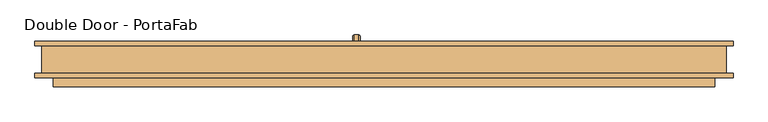
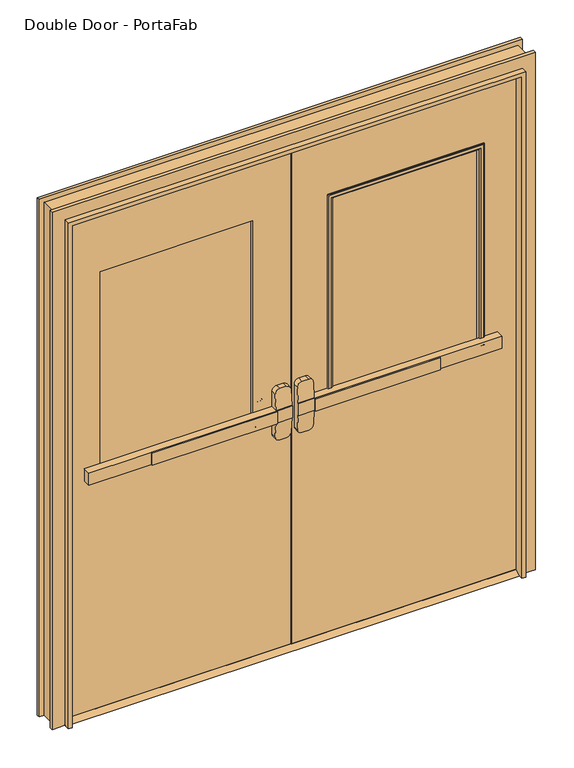
"""IFC4 building model written with IfcOpenShell, lengths in millimetres: door geometry, Double Door - PortaFab."""

from ifc_helpers import new_model, si_unit, point, frame, frame_2d, origin, place, context, project, spatial, polyline, circle_curve, ellipse_curve, trimmed, segment, composite_curve, outline, extrude, faceted_brep, source, transform, mapped, element, save
from ifc_brep_helpers import plane_surface, cylinder_surface, revolved_surface, advanced_brep


def double_door_portafab_65b8fbe4(model_context):
    return source(origin(), model_context, "Body", "SolidModel", [
        extrude(outline(polyline([(-575.7333333, -63.5), (-575.7333333, -57.15), (-76.2, -57.15), (-76.2, -63.5), (-575.7333333, -63.5)])), frame((0.0, 0.0, 990.6), z_axis=(0.0, 0.0, 1.0), x_axis=(1.0, 0.0, 0.0)), (0.0, 0.0, 1.0), 50.8),
        advanced_brep(
        [(-12.7, -57.15, 1041.4), (-76.2, -57.15, 1041.4), (-825.5, -57.15, 1041.4), (-825.5, -57.15, 990.6), (-76.2, -57.15, 990.6), (-12.7, -57.15, 990.6), (-825.5, -25.4, 1041.4), (-76.2, -25.4, 1041.4), (-76.2, -25.4, 1104.9), (-57.15, -25.4, 1123.95), (-31.75, -25.4, 1123.95), (-12.7, -25.4, 1104.9), (-12.7, -25.4, 927.1), (-31.75, -25.4, 908.05), (-57.15, -25.4, 908.05), (-76.2, -25.4, 927.1), (-76.2, -25.4, 990.6), (-825.5, -25.4, 990.6), (-12.7, -53.9747533, 1041.4), (-76.2, -53.9747533, 1041.4), (-12.7, -53.9747533, 990.6), (-12.7, -48.9645731, 927.1), (-12.7, -48.9645731, 1104.9), (-76.2, -53.9747533, 990.6), (-76.2, -48.9645731, 1104.9), (-76.2, -48.9645731, 927.1), (-57.15, -47.461519, 1123.95), (-31.75, -47.461519, 1123.95), (-31.75, -47.461519, 908.05), (-57.15, -47.461519, 908.05)],
        [
            (0, 1),
            (1, 2),
            (2, 3),
            (3, 4),
            (4, 5),
            (5, 0),
            (6, 7),
            (7, 8),
            (8, 9, circle_curve(frame((-57.15, -25.4, 1104.9), z_axis=(0.0, 1.0, 0.0), x_axis=(-1.0, 0.0, 0.0)), 19.05)),
            (9, 10),
            (10, 11, circle_curve(frame((-31.75, -25.4, 1104.9), z_axis=(0.0, 1.0, 0.0), x_axis=(-1.0, 0.0, 0.0)), 19.05)),
            (11, 12),
            (12, 13, circle_curve(frame((-31.75, -25.4, 927.1), z_axis=(0.0, 1.0, 0.0), x_axis=(-1.0, 0.0, 0.0)), 19.05)),
            (13, 14),
            (14, 15, circle_curve(frame((-57.15, -25.4, 927.1), z_axis=(0.0, 1.0, 0.0), x_axis=(-1.0, 0.0, 0.0)), 19.05)),
            (15, 16),
            (16, 17),
            (17, 6),
            (0, 18),
            (18, 19),
            (19, 7),
            (6, 2),
            (5, 20),
            (20, 21),
            (21, 12),
            (11, 22),
            (22, 18),
            (16, 23),
            (23, 20),
            (3, 17),
            (19, 24),
            (24, 8),
            (15, 25),
            (25, 23),
            (9, 26),
            (26, 27),
            (27, 10),
            (13, 28),
            (28, 29),
            (29, 14),
            (29, 25, ellipse_curve(frame((-57.15, -48.9645731, 927.1), z_axis=(0.0, 0.9969018152893365, 0.07865602756830282), x_axis=(0.0, -0.07865602756830208, 0.9969018152893365)), 19.1092038, 19.05)),
            (24, 26, ellipse_curve(frame((-57.15, -48.9645731, 1104.9), z_axis=(0.0, 0.9969018152893376, -0.07865602756828934), x_axis=(0.0, -0.078656027568288, -0.9969018152893377)), 19.1092038, 19.05)),
            (27, 22, ellipse_curve(frame((-31.75, -48.9645731, 1104.9), z_axis=(0.0, 0.9969018152893376, -0.07865602756828934), x_axis=(0.0, -0.078656027568288, -0.9969018152893377)), 19.1092038, 19.05)),
            (21, 28, ellipse_curve(frame((-31.75, -48.9645731, 927.1), z_axis=(0.0, 0.9969018152893365, 0.07865602756830282), x_axis=(0.0, -0.07865602756830208, 0.9969018152893365)), 19.1092038, 19.05)),
        ],
        [
            plane_surface(frame((-12.7, -57.15, 1041.4), z_axis=(0.0, -1.0, 0.0), x_axis=(1.0, 0.0, 0.0))),
            plane_surface(frame((-12.7, -25.4, 1041.4), z_axis=(0.0, 1.0, 0.0), x_axis=(-1.0, 0.0, 0.0))),
            plane_surface(frame((-825.5, -57.15, 1041.4), z_axis=(0.0, 0.0, 1.0), x_axis=(0.0, 1.0, 0.0))),
            plane_surface(frame((-12.7, -57.15, 1041.4), z_axis=(1.0, 0.0, 0.0), x_axis=(0.0, 1.0, 0.0))),
            plane_surface(frame((-12.7, -57.15, 990.6), z_axis=(0.0, 0.0, -1.0), x_axis=(0.0, 1.0, 0.0))),
            plane_surface(frame((-825.5, -57.15, 990.6), z_axis=(-1.0, 0.0, 0.0), x_axis=(0.0, 1.0, 0.0))),
            plane_surface(frame((-76.2, -53.9747533, 927.1), z_axis=(-1.0, 0.0, 0.0), x_axis=(0.0, 1.0, 0.0))),
            plane_surface(frame((-57.15, -53.9747533, 1123.95), z_axis=(0.0, 0.0, 1.0), x_axis=(0.0, 1.0, 0.0))),
            plane_surface(frame((-31.75, -53.9747533, 908.05), z_axis=(0.0, 0.0, -1.0), x_axis=(0.0, 1.0, 0.0))),
            cylinder_surface(frame((-57.15, -25.4, 927.1), z_axis=(0.0, -1.0, 0.0), x_axis=(-1.0, 0.0, 0.0)), 19.05),
            cylinder_surface(frame((-57.15, -25.4, 1104.9), z_axis=(0.0, -1.0, 0.0), x_axis=(-1.0, 0.0, 0.0)), 19.05),
            cylinder_surface(frame((-31.75, -25.4, 1104.9), z_axis=(0.0, -1.0, 0.0), x_axis=(-1.0, 0.0, 0.0)), 19.05),
            cylinder_surface(frame((-31.75, -25.4, 927.1), z_axis=(0.0, -1.0, 0.0), x_axis=(-1.0, 0.0, 0.0)), 19.05),
            plane_surface(frame((-76.2, -53.9747533, 1041.4), z_axis=(0.0, -0.9969018152893376, 0.07865602756828934), x_axis=(1.0, 0.0, 0.0))),
            plane_surface(frame((-76.2, -47.461519, 908.05), z_axis=(0.0, -0.9969018152893365, -0.07865602756830282), x_axis=(1.0, 0.0, 0.0))),
        ],
        [
            (0, [[1, 2, 3, 4, 5, 6]]),
            (1, [[7, 8, 9, 10, 11, 12, 13, 14, 15, 16, 17, 18]]),
            (2, [[-2, -1, 19, 20, 21, -7, 22]]),
            (3, [[23, 24, 25, -12, 26, 27, -19, -6]]),
            (4, [[-17, 28, 29, -23, -5, -4, 30]]),
            (5, [[-22, -18, -30, -3]]),
            (6, [[-21, 31, 32, -8]]),
            (6, [[33, 34, -28, -16]]),
            (7, [[35, 36, 37, -10]]),
            (8, [[38, 39, 40, -14]]),
            (9, [[-40, 41, -33, -15]]),
            (10, [[-32, 42, -35, -9]]),
            (11, [[-37, 43, -26, -11]]),
            (12, [[-25, 44, -38, -13]]),
            (13, [[-27, -43, -36, -42, -31, -20]]),
            (14, [[-29, -34, -41, -39, -44, -24]]),
        ],
    ),
        extrude(outline(polyline([(19.05, 12.7), (44.45, 0.0), (-50.8, 0.0), (-25.4, 12.7), (19.05, 12.7)])), frame((-914.4, 0.0, 0.0), z_axis=(1.0, 0.0, 0.0), x_axis=(0.0, 1.0, 0.0)), (0.0, 0.0, 1.0), 1828.8),
        extrude(outline(polyline([(575.7333333, -63.5), (76.2, -63.5), (76.2, -57.15), (575.7333333, -57.15), (575.7333333, -63.5)])), frame((0.0, 0.0, 990.6), z_axis=(0.0, 0.0, 1.0), x_axis=(1.0, 0.0, 0.0)), (0.0, 0.0, 1.0), 50.8),
        advanced_brep(
        [(12.7, -57.15, 1041.4), (12.7, -57.15, 990.6), (76.2, -57.15, 990.6), (825.5, -57.15, 990.6), (825.5, -57.15, 1041.4), (76.2, -57.15, 1041.4), (825.5, -25.4, 1041.4), (825.5, -25.4, 990.6), (76.2, -25.4, 990.6), (76.2, -25.4, 927.1), (57.15, -25.4, 908.05), (31.75, -25.4, 908.05), (12.7, -25.4, 927.1), (12.7, -25.4, 1104.9), (31.75, -25.4, 1123.95), (57.15, -25.4, 1123.95), (76.2, -25.4, 1104.9), (76.2, -25.4, 1041.4), (76.2, -53.9747533, 1041.4), (12.7, -53.9747533, 1041.4), (12.7, -48.9645731, 1104.9), (12.7, -48.9645731, 927.1), (12.7, -53.9747533, 990.6), (76.2, -53.9747533, 990.6), (76.2, -48.9645731, 927.1), (76.2, -48.9645731, 1104.9), (31.75, -47.461519, 1123.95), (57.15, -47.461519, 1123.95), (57.15, -47.461519, 908.05), (31.75, -47.461519, 908.05)],
        [
            (0, 1),
            (1, 2),
            (2, 3),
            (3, 4),
            (4, 5),
            (5, 0),
            (6, 7),
            (7, 8),
            (8, 9),
            (9, 10, circle_curve(frame((57.15, -25.4, 927.1), z_axis=(0.0, 1.0, 0.0), x_axis=(1.0, 0.0, 0.0)), 19.05)),
            (10, 11),
            (11, 12, circle_curve(frame((31.75, -25.4, 927.1), z_axis=(0.0, 1.0, 0.0), x_axis=(1.0, 0.0, 0.0)), 19.05)),
            (12, 13),
            (13, 14, circle_curve(frame((31.75, -25.4, 1104.9), z_axis=(0.0, 1.0, 0.0), x_axis=(1.0, 0.0, 0.0)), 19.05)),
            (14, 15),
            (15, 16, circle_curve(frame((57.15, -25.4, 1104.9), z_axis=(0.0, 1.0, 0.0), x_axis=(1.0, 0.0, 0.0)), 19.05)),
            (16, 17),
            (17, 6),
            (4, 6),
            (17, 18),
            (18, 19),
            (19, 0),
            (19, 20),
            (20, 13),
            (12, 21),
            (21, 22),
            (22, 1),
            (7, 3),
            (22, 23),
            (23, 8),
            (23, 24),
            (24, 9),
            (16, 25),
            (25, 18),
            (14, 26),
            (26, 27),
            (27, 15),
            (10, 28),
            (28, 29),
            (29, 11),
            (24, 28, ellipse_curve(frame((57.15, -48.9645731, 927.1), z_axis=(0.0, 0.9969018152893365, 0.07865602756830282), x_axis=(0.0, -0.07865602756830208, 0.9969018152893365)), 19.1092038, 19.05)),
            (27, 25, ellipse_curve(frame((57.15, -48.9645731, 1104.9), z_axis=(0.0, 0.9969018152893376, -0.07865602756828934), x_axis=(0.0, -0.078656027568288, -0.9969018152893377)), 19.1092038, 19.05)),
            (20, 26, ellipse_curve(frame((31.75, -48.9645731, 1104.9), z_axis=(0.0, 0.9969018152893376, -0.07865602756828934), x_axis=(0.0, -0.078656027568288, -0.9969018152893377)), 19.1092038, 19.05)),
            (29, 21, ellipse_curve(frame((31.75, -48.9645731, 927.1), z_axis=(0.0, 0.9969018152893365, 0.07865602756830282), x_axis=(0.0, -0.07865602756830208, 0.9969018152893365)), 19.1092038, 19.05)),
        ],
        [
            plane_surface(frame((12.7, -57.15, 1041.4), z_axis=(0.0, -1.0, 0.0), x_axis=(-1.0, 0.0, 0.0))),
            plane_surface(frame((12.7, -25.4, 1041.4), z_axis=(0.0, 1.0, 0.0), x_axis=(1.0, 0.0, 0.0))),
            plane_surface(frame((825.5, -57.15, 1041.4), z_axis=(0.0, 0.0, 1.0), x_axis=(0.0, 1.0, 0.0))),
            plane_surface(frame((12.7, -57.15, 1041.4), z_axis=(-1.0, 0.0, 0.0), x_axis=(0.0, 1.0, 0.0))),
            plane_surface(frame((12.7, -57.15, 990.6), z_axis=(0.0, 0.0, -1.0), x_axis=(0.0, 1.0, 0.0))),
            plane_surface(frame((825.5, -57.15, 990.6), z_axis=(1.0, 0.0, 0.0), x_axis=(0.0, 1.0, 0.0))),
            plane_surface(frame((76.2, -53.9747533, 927.1), z_axis=(1.0, 0.0, 0.0), x_axis=(0.0, 1.0, 0.0))),
            plane_surface(frame((57.15, -53.9747533, 1123.95), z_axis=(0.0, 0.0, 1.0), x_axis=(0.0, 1.0, 0.0))),
            plane_surface(frame((31.75, -53.9747533, 908.05), z_axis=(0.0, 0.0, -1.0), x_axis=(0.0, 1.0, 0.0))),
            cylinder_surface(frame((57.15, -25.4, 927.1), z_axis=(0.0, -1.0, 0.0), x_axis=(1.0, 0.0, 0.0)), 19.05),
            cylinder_surface(frame((57.15, -25.4, 1104.9), z_axis=(0.0, -1.0, 0.0), x_axis=(1.0, 0.0, 0.0)), 19.05),
            cylinder_surface(frame((31.75, -25.4, 1104.9), z_axis=(0.0, -1.0, 0.0), x_axis=(1.0, 0.0, 0.0)), 19.05),
            cylinder_surface(frame((31.75, -25.4, 927.1), z_axis=(0.0, -1.0, 0.0), x_axis=(1.0, 0.0, 0.0)), 19.05),
            plane_surface(frame((76.2, -53.9747533, 1041.4), z_axis=(0.0, -0.9969018152893376, 0.07865602756828934), x_axis=(-1.0, 0.0, 0.0))),
            plane_surface(frame((76.2, -47.461519, 908.05), z_axis=(0.0, -0.9969018152893365, -0.07865602756830282), x_axis=(-1.0, 0.0, 0.0))),
        ],
        [
            (0, [[1, 2, 3, 4, 5, 6]]),
            (1, [[7, 8, 9, 10, 11, 12, 13, 14, 15, 16, 17, 18]]),
            (2, [[19, -18, 20, 21, 22, -6, -5]]),
            (3, [[-1, -22, 23, 24, -13, 25, 26, 27]]),
            (4, [[28, -3, -2, -27, 29, 30, -8]]),
            (5, [[-4, -28, -7, -19]]),
            (6, [[-9, -30, 31, 32]]),
            (6, [[-17, 33, 34, -20]]),
            (7, [[-15, 35, 36, 37]]),
            (8, [[-11, 38, 39, 40]]),
            (9, [[-10, -32, 41, -38]]),
            (10, [[-16, -37, 42, -33]]),
            (11, [[-14, -24, 43, -35]]),
            (12, [[-12, -40, 44, -25]]),
            (13, [[-21, -34, -42, -36, -43, -23]]),
            (14, [[-26, -44, -39, -41, -31, -29]]),
        ],
    ),
        advanced_brep(
        [(-86.2, 31.75, 1017.190625), (-86.2, 31.75, 1014.809375), (-82.628125, 31.75, 1011.2375), (-69.7715406, 31.75, 1011.2375), (-66.2, 31.75, 1014.8090406), (-66.2, 31.75, 1017.190625), (-69.771875, 31.75, 1020.7625), (-82.628125, 31.75, 1020.7625), (-86.2, 31.75, 887.809375), (-82.628125, 31.75, 884.2375), (-69.771875, 31.75, 884.2375), (-66.2, 31.75, 887.809375), (-66.2, 31.75, 890.1909594), (-69.7715406, 31.75, 893.7625), (-82.628125, 31.75, 893.7625), (-86.2, 31.75, 890.190625), (-86.2, 57.15, 1017.190625), (-86.2, 71.040625, 1003.3), (-86.2, 71.040625, 901.7), (-86.2, 57.15, 887.809375), (-86.2, 57.15, 890.190625), (-86.2, 68.659375, 901.7), (-86.2, 68.659375, 1003.3), (-86.2, 57.15, 1014.809375), (-82.628125, 57.15, 1011.2375), (-69.7715406, 57.15, 1011.2375), (-66.2, 57.15, 1014.8090406), (-66.2, 68.6590406, 1003.3), (-66.2, 68.6590406, 901.7), (-66.2, 57.15, 890.1909594), (-66.2, 57.15, 887.809375), (-66.2, 71.040625, 901.7), (-66.2, 71.040625, 1003.3), (-66.2, 57.15, 1017.190625), (-69.771875, 57.15, 1020.7625), (-82.628125, 57.15, 1020.7625), (-82.628125, 65.0875, 1003.3), (-69.7715406, 65.0875, 1003.3), (-69.771875, 74.6125, 1003.3), (-82.628125, 74.6125, 1003.3), (-82.628125, 65.0875, 901.7), (-69.7715406, 65.0875, 901.7), (-69.771875, 74.6125, 901.7), (-82.628125, 74.6125, 901.7), (-82.628125, 57.15, 893.7625), (-69.7715406, 57.15, 893.7625), (-69.771875, 57.15, 884.2375), (-82.628125, 57.15, 884.2375)],
        [
            (0, 1),
            (1, 2, circle_curve(frame((-82.628125, 31.75, 1014.809375), z_axis=(0.0, -1.0, 0.0), x_axis=(0.0, 0.0, 1.0)), 3.571875)),
            (2, 3),
            (3, 4, circle_curve(frame((-69.7715406, 31.75, 1014.8090406), z_axis=(0.0, -1.0, 0.0), x_axis=(0.0, 0.0, 1.0)), 3.5715406)),
            (4, 5),
            (5, 6, circle_curve(frame((-69.771875, 31.75, 1017.190625), z_axis=(0.0, -1.0, 0.0), x_axis=(0.0, 0.0, 1.0)), 3.571875)),
            (6, 7),
            (7, 0, circle_curve(frame((-82.628125, 31.75, 1017.190625), z_axis=(0.0, -1.0, 0.0), x_axis=(0.0, 0.0, 1.0)), 3.571875)),
            (8, 9, circle_curve(frame((-82.628125, 31.75, 887.809375), z_axis=(0.0, -1.0, 0.0), x_axis=(0.0, 0.0, -1.0)), 3.571875)),
            (9, 10),
            (10, 11, circle_curve(frame((-69.771875, 31.75, 887.809375), z_axis=(0.0, -1.0, 0.0), x_axis=(0.0, 0.0, -1.0)), 3.571875)),
            (11, 12),
            (12, 13, circle_curve(frame((-69.7715406, 31.75, 890.1909594), z_axis=(0.0, -1.0, 0.0), x_axis=(0.0, 0.0, -1.0)), 3.5715406)),
            (13, 14),
            (14, 15, circle_curve(frame((-82.628125, 31.75, 890.190625), z_axis=(0.0, -1.0, 0.0), x_axis=(0.0, 0.0, -1.0)), 3.571875)),
            (15, 8),
            (0, 16),
            (16, 17, circle_curve(frame((-86.2, 57.15, 1003.3), z_axis=(-1.0, 0.0, 0.0), x_axis=(0.0, 0.0, 1.0)), 13.890625)),
            (17, 18),
            (18, 19, circle_curve(frame((-86.2, 57.15, 901.7), z_axis=(-1.0, 0.0, 0.0), x_axis=(0.0, 1.0, 0.0)), 13.890625)),
            (19, 8),
            (15, 20),
            (20, 21, circle_curve(frame((-86.2, 57.15, 901.7), z_axis=(1.0, 0.0, 0.0), x_axis=(0.0, 1.0, 0.0)), 11.509375)),
            (21, 22),
            (22, 23, circle_curve(frame((-86.2, 57.15, 1003.3), z_axis=(1.0, 0.0, 0.0), x_axis=(0.0, 0.0, 1.0)), 11.509375)),
            (23, 1),
            (23, 24, circle_curve(frame((-82.628125, 57.15, 1014.809375), z_axis=(0.0, -1.0, 0.0), x_axis=(0.0, 0.0, 1.0)), 3.571875)),
            (24, 2),
            (24, 25),
            (25, 3),
            (25, 26, circle_curve(frame((-69.7715406, 57.15, 1014.8090406), z_axis=(0.0, -1.0, 0.0), x_axis=(0.0, 0.0, 1.0)), 3.5715406)),
            (26, 4),
            (26, 27, circle_curve(frame((-66.2, 57.15, 1003.3), z_axis=(-1.0, 0.0, 0.0), x_axis=(0.0, 0.0, 1.0)), 11.5090406)),
            (27, 28),
            (28, 29, circle_curve(frame((-66.2, 57.15, 901.7), z_axis=(-1.0, 0.0, 0.0), x_axis=(0.0, 1.0, 0.0)), 11.5090406)),
            (29, 12),
            (11, 30),
            (30, 31, circle_curve(frame((-66.2, 57.15, 901.7), z_axis=(1.0, 0.0, 0.0), x_axis=(0.0, 1.0, 0.0)), 13.890625)),
            (31, 32),
            (32, 33, circle_curve(frame((-66.2, 57.15, 1003.3), z_axis=(1.0, 0.0, 0.0), x_axis=(0.0, 0.0, 1.0)), 13.890625)),
            (33, 5),
            (33, 34, circle_curve(frame((-69.771875, 57.15, 1017.190625), z_axis=(0.0, -1.0, 0.0), x_axis=(0.0, 0.0, 1.0)), 3.571875)),
            (34, 6),
            (34, 35),
            (35, 7),
            (35, 16, circle_curve(frame((-82.628125, 57.15, 1017.190625), z_axis=(0.0, -1.0, 0.0), x_axis=(0.0, 0.0, 1.0)), 3.571875)),
            (36, 24, circle_curve(frame((-82.628125, 57.15, 1003.3), z_axis=(1.0, 0.0, 0.0), x_axis=(0.0, 0.0, 1.0)), 7.9375)),
            (22, 36, circle_curve(frame((-82.628125, 68.659375, 1003.3), z_axis=(0.0, 0.0, 1.0), x_axis=(0.0, 1.0, 0.0)), 3.571875)),
            (37, 25, circle_curve(frame((-69.7715406, 57.15, 1003.3), z_axis=(1.0, 0.0, 0.0), x_axis=(0.0, 0.0, 1.0)), 7.9375)),
            (36, 37),
            (37, 27, circle_curve(frame((-69.7715406, 68.6590406, 1003.3), z_axis=(0.0, 0.0, 1.0), x_axis=(0.0, 1.0, 0.0)), 3.5715406)),
            (38, 34, circle_curve(frame((-69.771875, 57.15, 1003.3), z_axis=(1.0, 0.0, 0.0), x_axis=(0.0, 0.0, 1.0)), 17.4625)),
            (32, 38, circle_curve(frame((-69.771875, 71.040625, 1003.3), z_axis=(0.0, 0.0, 1.0), x_axis=(0.0, 1.0, 0.0)), 3.571875)),
            (39, 35, circle_curve(frame((-82.628125, 57.15, 1003.3), z_axis=(1.0, 0.0, 0.0), x_axis=(0.0, 0.0, 1.0)), 17.4625)),
            (38, 39),
            (39, 17, circle_curve(frame((-82.628125, 71.040625, 1003.3), z_axis=(0.0, 0.0, 1.0), x_axis=(0.0, 1.0, 0.0)), 3.571875)),
            (21, 40, circle_curve(frame((-82.628125, 68.659375, 901.7), z_axis=(0.0, 0.0, 1.0), x_axis=(0.0, 1.0, 0.0)), 3.571875)),
            (40, 36),
            (40, 41),
            (41, 37),
            (41, 28, circle_curve(frame((-69.7715406, 68.6590406, 901.7), z_axis=(0.0, 0.0, 1.0), x_axis=(0.0, 1.0, 0.0)), 3.5715406)),
            (31, 42, circle_curve(frame((-69.771875, 71.040625, 901.7), z_axis=(0.0, 0.0, 1.0), x_axis=(0.0, 1.0, 0.0)), 3.571875)),
            (42, 38),
            (42, 43),
            (43, 39),
            (43, 18, circle_curve(frame((-82.628125, 71.040625, 901.7), z_axis=(0.0, 0.0, 1.0), x_axis=(0.0, 1.0, 0.0)), 3.571875)),
            (44, 40, circle_curve(frame((-82.628125, 57.15, 901.7), z_axis=(1.0, 0.0, 0.0), x_axis=(0.0, 1.0, 0.0)), 7.9375)),
            (20, 44, circle_curve(frame((-82.628125, 57.15, 890.190625), z_axis=(0.0, 1.0, 0.0), x_axis=(0.0, 0.0, -1.0)), 3.571875)),
            (45, 41, circle_curve(frame((-69.7715406, 57.15, 901.7), z_axis=(1.0, 0.0, 0.0), x_axis=(0.0, 1.0, 0.0)), 7.9375)),
            (44, 45),
            (45, 29, circle_curve(frame((-69.7715406, 57.15, 890.1909594), z_axis=(0.0, 1.0, 0.0), x_axis=(0.0, 0.0, -1.0)), 3.5715406)),
            (46, 42, circle_curve(frame((-69.771875, 57.15, 901.7), z_axis=(1.0, 0.0, 0.0), x_axis=(0.0, 1.0, 0.0)), 17.4625)),
            (30, 46, circle_curve(frame((-69.771875, 57.15, 887.809375), z_axis=(0.0, 1.0, 0.0), x_axis=(0.0, 0.0, -1.0)), 3.571875)),
            (47, 43, circle_curve(frame((-82.628125, 57.15, 901.7), z_axis=(1.0, 0.0, 0.0), x_axis=(0.0, 1.0, 0.0)), 17.4625)),
            (46, 47),
            (47, 19, circle_curve(frame((-82.628125, 57.15, 887.809375), z_axis=(0.0, 1.0, 0.0), x_axis=(0.0, 0.0, -1.0)), 3.571875)),
            (14, 44),
            (13, 45),
            (10, 46),
            (9, 47),
        ],
        [
            plane_surface(frame((-76.2, 31.75, 1016.0), z_axis=(0.0, -1.0, 0.0), x_axis=(1.0, 0.0, 0.0))),
            plane_surface(frame((-76.2, 31.75, 889.0), z_axis=(0.0, -1.0, 0.0), x_axis=(1.0, 0.0, 0.0))),
            plane_surface(frame((-86.2, 31.75, 1017.190625), z_axis=(-1.0, 0.0, 0.0), x_axis=(0.0, 1.0, 0.0))),
            cylinder_surface(frame((-82.628125, 31.75, 1014.809375), z_axis=(0.0, -1.0, 0.0), x_axis=(0.0, 0.0, 1.0)), 3.571875),
            plane_surface(frame((-82.628125, 31.75, 1011.2375), z_axis=(0.0, 0.0, -1.0), x_axis=(0.0, 1.0, 0.0))),
            cylinder_surface(frame((-69.7715406, 31.75, 1014.8090406), z_axis=(0.0, -1.0, 0.0), x_axis=(0.0, 0.0, 1.0)), 3.5715406),
            plane_surface(frame((-66.2, 31.75, 1014.8090406), z_axis=(1.0, 0.0, 0.0), x_axis=(0.0, 1.0, 0.0))),
            cylinder_surface(frame((-69.771875, 31.75, 1017.190625), z_axis=(0.0, -1.0, 0.0), x_axis=(0.0, 0.0, 1.0)), 3.571875),
            plane_surface(frame((-69.771875, 31.75, 1020.7625), z_axis=(0.0, 0.0, 1.0), x_axis=(0.0, 1.0, 0.0))),
            cylinder_surface(frame((-82.628125, 31.75, 1017.190625), z_axis=(0.0, -1.0, 0.0), x_axis=(0.0, 0.0, 1.0)), 3.571875),
            revolved_surface(trimmed(ellipse_curve(frame((-82.628125, 57.15, 1014.809375), z_axis=(0.0, -1.0, 0.0), x_axis=(0.0, 0.0, 1.0)), 3.571875, 3.571875), [point((-86.2, 57.15, 1014.809375))], [point((-82.628125, 57.15, 1011.2375))], True, "CARTESIAN"), (-76.2, 57.15, 1003.3), (-1.0, 0.0, 0.0)),
            revolved_surface(polyline([(-82.628125, 57.15, 1011.2375), (-69.7715406, 57.15, 1011.2375)]), (-76.2, 57.15, 1003.3), (-1.0, 0.0, 0.0)),
            revolved_surface(trimmed(ellipse_curve(frame((-69.7715406, 57.15, 1014.8090406), z_axis=(0.0, -1.0, 0.0), x_axis=(0.0, 0.0, 1.0)), 3.5715406, 3.5715406), [point((-69.7715406, 57.15, 1011.2375))], [point((-66.2, 57.15, 1014.8090406))], True, "CARTESIAN"), (-76.2, 57.15, 1003.3), (-1.0, 0.0, 0.0)),
            revolved_surface(trimmed(ellipse_curve(frame((-69.771875, 57.15, 1017.190625), z_axis=(0.0, -1.0, 0.0), x_axis=(0.0, 0.0, 1.0)), 3.571875, 3.571875), [point((-66.2, 57.15, 1017.190625))], [point((-69.771875, 57.15, 1020.7625))], True, "CARTESIAN"), (-76.2, 57.15, 1003.3), (-1.0, 0.0, 0.0)),
            cylinder_surface(frame((-76.2, 57.15, 1003.3), z_axis=(-1.0, 0.0, 0.0), x_axis=(0.0, 0.0, 1.0)), 17.4625),
            revolved_surface(trimmed(ellipse_curve(frame((-82.628125, 57.15, 1017.190625), z_axis=(0.0, -1.0, 0.0), x_axis=(0.0, 0.0, 1.0)), 3.571875, 3.571875), [point((-82.628125, 57.15, 1020.7625))], [point((-86.2, 57.15, 1017.190625))], True, "CARTESIAN"), (-76.2, 57.15, 1003.3), (-1.0, 0.0, 0.0)),
            cylinder_surface(frame((-82.628125, 68.659375, 1003.3), z_axis=(0.0, 0.0, 1.0), x_axis=(0.0, 1.0, 0.0)), 3.571875),
            plane_surface(frame((-82.628125, 65.0875, 1003.3), z_axis=(0.0, -1.0, 0.0), x_axis=(0.0, 0.0, -1.0))),
            cylinder_surface(frame((-69.7715406, 68.6590406, 1003.3), z_axis=(0.0, 0.0, 1.0), x_axis=(0.0, 1.0, 0.0)), 3.5715406),
            cylinder_surface(frame((-69.771875, 71.040625, 1003.3), z_axis=(0.0, 0.0, 1.0), x_axis=(0.0, 1.0, 0.0)), 3.571875),
            plane_surface(frame((-69.771875, 74.6125, 1003.3), z_axis=(0.0, 1.0, 0.0), x_axis=(0.0, 0.0, -1.0))),
            cylinder_surface(frame((-82.628125, 71.040625, 1003.3), z_axis=(0.0, 0.0, 1.0), x_axis=(0.0, 1.0, 0.0)), 3.571875),
            revolved_surface(trimmed(ellipse_curve(frame((-82.628125, 68.659375, 901.7), z_axis=(0.0, 0.0, 1.0), x_axis=(0.0, 1.0, 0.0)), 3.571875, 3.571875), [point((-86.2, 68.659375, 901.7))], [point((-82.628125, 65.0875, 901.7))], True, "CARTESIAN"), (-76.2, 57.15, 901.7), (-1.0, 0.0, 0.0)),
            revolved_surface(polyline([(-82.628125, 65.0875, 901.7), (-69.7715406, 65.0875, 901.7)]), (-76.2, 57.15, 901.7), (-1.0, 0.0, 0.0)),
            revolved_surface(trimmed(ellipse_curve(frame((-69.7715406, 68.6590406, 901.7), z_axis=(0.0, 0.0, 1.0), x_axis=(0.0, 1.0, 0.0)), 3.5715406, 3.5715406), [point((-69.7715406, 65.0875, 901.7))], [point((-66.2, 68.6590406, 901.7))], True, "CARTESIAN"), (-76.2, 57.15, 901.7), (-1.0, 0.0, 0.0)),
            revolved_surface(trimmed(ellipse_curve(frame((-69.771875, 71.040625, 901.7), z_axis=(0.0, 0.0, 1.0), x_axis=(0.0, 1.0, 0.0)), 3.571875, 3.571875), [point((-66.2, 71.040625, 901.7))], [point((-69.771875, 74.6125, 901.7))], True, "CARTESIAN"), (-76.2, 57.15, 901.7), (-1.0, 0.0, 0.0)),
            cylinder_surface(frame((-76.2, 57.15, 901.7), z_axis=(-1.0, 0.0, 0.0), x_axis=(0.0, 1.0, 0.0)), 17.4625),
            revolved_surface(trimmed(ellipse_curve(frame((-82.628125, 71.040625, 901.7), z_axis=(0.0, 0.0, 1.0), x_axis=(0.0, 1.0, 0.0)), 3.571875, 3.571875), [point((-82.628125, 74.6125, 901.7))], [point((-86.2, 71.040625, 901.7))], True, "CARTESIAN"), (-76.2, 57.15, 901.7), (-1.0, 0.0, 0.0)),
            cylinder_surface(frame((-82.628125, 57.15, 890.190625), z_axis=(0.0, 1.0, 0.0), x_axis=(0.0, 0.0, -1.0)), 3.571875),
            plane_surface(frame((-82.628125, 57.15, 893.7625), z_axis=(0.0, 0.0, 1.0), x_axis=(0.0, -1.0, 0.0))),
            cylinder_surface(frame((-69.7715406, 57.15, 890.1909594), z_axis=(0.0, 1.0, 0.0), x_axis=(0.0, 0.0, -1.0)), 3.5715406),
            cylinder_surface(frame((-69.771875, 57.15, 887.809375), z_axis=(0.0, 1.0, 0.0), x_axis=(0.0, 0.0, -1.0)), 3.571875),
            plane_surface(frame((-69.771875, 57.15, 884.2375), z_axis=(0.0, 0.0, -1.0), x_axis=(0.0, -1.0, 0.0))),
            cylinder_surface(frame((-82.628125, 57.15, 887.809375), z_axis=(0.0, 1.0, 0.0), x_axis=(0.0, 0.0, -1.0)), 3.571875),
        ],
        [
            (0, [[1, 2, 3, 4, 5, 6, 7, 8]]),
            (1, [[9, 10, 11, 12, 13, 14, 15, 16]]),
            (2, [[-1, 17, 18, 19, 20, 21, -16, 22, 23, 24, 25, 26]]),
            (3, [[-2, -26, 27, 28]]),
            (4, [[-3, -28, 29, 30]]),
            (5, [[-4, -30, 31, 32]]),
            (6, [[-5, -32, 33, 34, 35, 36, -12, 37, 38, 39, 40, 41]]),
            (7, [[-6, -41, 42, 43]]),
            (8, [[-7, -43, 44, 45]]),
            (9, [[-8, -45, 46, -17]]),
            (10, [[47, -27, -25, 48]]),
            (11, [[49, -29, -47, 50]]),
            (12, [[-33, -31, -49, 51]]),
            (13, [[52, -42, -40, 53]]),
            (14, [[54, -44, -52, 55]]),
            (15, [[-18, -46, -54, 56]]),
            (16, [[-48, -24, 57, 58]]),
            (17, [[-50, -58, 59, 60]]),
            (18, [[-51, -60, 61, -34]]),
            (19, [[-53, -39, 62, 63]]),
            (20, [[-55, -63, 64, 65]]),
            (21, [[-56, -65, 66, -19]]),
            (22, [[67, -57, -23, 68]]),
            (23, [[69, -59, -67, 70]]),
            (24, [[-35, -61, -69, 71]]),
            (25, [[72, -62, -38, 73]]),
            (26, [[74, -64, -72, 75]]),
            (27, [[-20, -66, -74, 76]]),
            (28, [[-68, -22, -15, 77]]),
            (29, [[-70, -77, -14, 78]]),
            (30, [[-71, -78, -13, -36]]),
            (31, [[-73, -37, -11, 79]]),
            (32, [[-75, -79, -10, 80]]),
            (33, [[-76, -80, -9, -21]]),
        ],
    ),
        extrude(outline(composite_curve([segment(trimmed(circle_curve(frame_2d((1113.0338574, -76.2)), 89.3016225), [point((1193.8, -38.1))], [point((1193.8, -114.3))], False, "CARTESIAN"), True, "CONTINUOUS"), segment(polyline([(1193.8, -114.3), (838.2, -114.3)]), True, "CONTINUOUS"), segment(trimmed(circle_curve(frame_2d((918.9661426, -76.2)), 89.3016225), [point((838.2, -114.3))], [point((838.2, -38.1))], False, "CARTESIAN"), True, "CONTINUOUS"), segment(polyline([(838.2, -38.1), (1193.8, -38.1)]), True, "CONTINUOUS")], self_intersect=False)), frame((0.0, 19.05, 0.0), z_axis=(0.0, 1.0, 0.0), x_axis=(0.0, 0.0, 1.0)), (0.0, 0.0, 1.0), 12.7),
        faceted_brep([(914.4, 57.15, 0.0), (965.2, 57.15, 0.0), (965.2, 44.45, 0.0), (946.15, 44.45, 0.0), (946.15, -31.75, 0.0), (965.2, -31.75, 0.0), (965.2, -44.45, 0.0), (914.4, -44.45, 0.0), (914.4, -68.2625, 0.0), (898.525, -68.2625, 0.0), (898.525, -30.1625, 0.0), (914.4, -30.1625, 0.0), (914.4, 57.15, 2133.6), (-914.4, 57.15, 2133.6), (-914.4, 57.15, 0.0), (-965.2, 57.15, 0.0), (-965.2, 57.15, 2184.4), (965.2, 57.15, 2184.4), (965.2, 44.45, 2184.4), (-965.2, 44.45, 2184.4), (-965.2, 44.45, 0.0), (-946.15, 44.45, 0.0), (-946.15, 44.45, 2165.35), (946.15, 44.45, 2165.35), (946.15, -31.75, 2165.35), (-946.15, -31.75, 2165.35), (-946.15, -31.75, 0.0), (-965.2, -31.75, 0.0), (-965.2, -31.75, 2184.4), (965.2, -31.75, 2184.4), (965.2, -44.45, 2184.4), (-965.2, -44.45, 2184.4), (-965.2, -44.45, 0.0), (-914.4, -44.45, 0.0), (-914.4, -44.45, 2133.6), (914.4, -44.45, 2133.6), (914.4, -68.2625, 2133.6), (-914.4, -68.2625, 2133.6), (-914.4, -68.2625, 0.0), (-898.525, -68.2625, 0.0), (-898.525, -68.2625, 2117.725), (898.525, -68.2625, 2117.725), (898.525, -30.1625, 2117.725), (-898.525, -30.1625, 2117.725), (-898.525, -30.1625, 0.0), (-914.4, -30.1625, 0.0), (-914.4, -30.1625, 2133.6), (914.4, -30.1625, 2133.6)], [[[0, 1, 2, 3, 4, 5, 6, 7, 8, 9, 10, 11]], [[1, 0, 12, 13, 14, 15, 16, 17]], [[2, 1, 17, 18]], [[3, 2, 18, 19, 20, 21, 22, 23]], [[4, 3, 23, 24]], [[5, 4, 24, 25, 26, 27, 28, 29]], [[6, 5, 29, 30]], [[7, 6, 30, 31, 32, 33, 34, 35]], [[8, 7, 35, 36]], [[9, 8, 36, 37, 38, 39, 40, 41]], [[10, 9, 41, 42]], [[11, 10, 42, 43, 44, 45, 46, 47]], [[0, 11, 47, 12]], [[18, 17, 16, 19]], [[24, 23, 22, 25]], [[30, 29, 28, 31]], [[36, 35, 34, 37]], [[42, 41, 40, 43]], [[12, 47, 46, 13]], [[14, 45, 44, 39, 38, 33, 32, 27, 26, 21, 20, 15]], [[19, 16, 15, 20]], [[25, 22, 21, 26]], [[31, 28, 27, 32]], [[37, 34, 33, 38]], [[43, 40, 39, 44]], [[13, 46, 45, 14]]]),
        extrude(outline(polyline([(2133.6, 1.5875), (12.7, 1.5875), (12.7, 914.4), (2133.6, 914.4), (2133.6, 1.5875)]), holes=[polyline([(1851.025, 152.4), (1851.025, 762.0), (1016.0, 762.0), (1016.0, 152.4), (1851.025, 152.4)])]), frame((0.0, -25.4, 0.0), z_axis=(0.0, 1.0, 0.0), x_axis=(0.0, 0.0, 1.0)), (0.0, 0.0, 1.0), 44.45),
        extrude(outline(polyline([(12.7, -1.5875), (2133.6, -1.5875), (2133.6, -914.4), (12.7, -914.4), (12.7, -1.5875)]), holes=[polyline([(1851.025, -762.0), (1851.025, -152.4), (1016.0, -152.4), (1016.0, -762.0), (1851.025, -762.0)])]), frame((0.0, -25.4, 0.0), z_axis=(0.0, 1.0, 0.0), x_axis=(0.0, 0.0, 1.0)), (0.0, 0.0, 1.0), 44.45),
        extrude(outline(polyline([(762.0, -12.7), (152.4, -12.7), (152.4, 6.35), (762.0, 6.35), (762.0, -12.7)])), frame((0.0, 0.0, 1016.0), z_axis=(0.0, 0.0, 1.0), x_axis=(1.0, 0.0, 0.0)), (0.0, 0.0, 1.0), 835.025),
        extrude(outline(polyline([(-152.4, -12.7), (-762.0, -12.7), (-762.0, 6.35), (-152.4, 6.35), (-152.4, -12.7)])), frame((0.0, 0.0, 1016.0), z_axis=(0.0, 0.0, 1.0), x_axis=(1.0, 0.0, 0.0)), (0.0, 0.0, 1.0), 835.025),
        advanced_brep(
        [(152.4, 6.35, 1851.025), (152.4, 19.05, 1851.025), (152.4, 19.05, 1016.0), (152.4, 6.35, 1016.0), (164.4, 20.05, 1839.025), (164.4, 6.35, 1839.025), (164.4, 6.35, 1028.0), (164.4, 20.05, 1028.0), (159.4, 25.05, 1844.025), (159.4, 25.05, 1023.0), (144.4, 23.05, 1859.025), (146.4, 25.05, 1857.025), (146.4, 25.05, 1010.0), (144.4, 23.05, 1008.0), (144.4, 19.05, 1859.025), (144.4, 19.05, 1008.0), (762.0, 19.05, 1016.0), (762.0, 6.35, 1016.0), (750.0, 6.35, 1028.0), (750.0, 20.05, 1028.0), (755.0, 25.05, 1023.0), (768.0, 25.05, 1010.0), (770.0, 23.05, 1008.0), (770.0, 19.05, 1008.0), (762.0, 19.05, 1851.025), (762.0, 6.35, 1851.025), (750.0, 6.35, 1839.025), (750.0, 20.05, 1839.025), (755.0, 25.05, 1844.025), (768.0, 25.05, 1857.025), (770.0, 23.05, 1859.025), (770.0, 19.05, 1859.025)],
        [
            (0, 1),
            (1, 2),
            (2, 3),
            (3, 0),
            (4, 5),
            (5, 6),
            (6, 7),
            (7, 4),
            (8, 4, ellipse_curve(frame((159.4, 20.05, 1844.025), z_axis=(-0.7071067811865475, 0.0, -0.7071067811865475), x_axis=(-0.7071067811865474, 0.0, 0.7071067811865476)), 7.0710678, 5.0)),
            (7, 9, ellipse_curve(frame((159.4, 20.05, 1023.0), z_axis=(-0.7071067811865475, 0.0, 0.7071067811865475), x_axis=(0.7071067811865474, 0.0, 0.7071067811865476)), 7.0710678, 5.0)),
            (9, 8),
            (10, 11, ellipse_curve(frame((146.4, 23.05, 1857.025), z_axis=(-0.7071067811865475, 0.0, -0.7071067811865475), x_axis=(-0.7071067811865474, 0.0, 0.7071067811865476)), 2.8284271, 2.0)),
            (11, 12),
            (12, 13, ellipse_curve(frame((146.4, 23.05, 1010.0), z_axis=(-0.7071067811865475, 0.0, 0.7071067811865475), x_axis=(0.7071067811865474, 0.0, 0.7071067811865476)), 2.8284271, 2.0)),
            (13, 10),
            (14, 10),
            (13, 15),
            (15, 14),
            (2, 16),
            (16, 17),
            (17, 3),
            (6, 18),
            (18, 19),
            (19, 7),
            (19, 20, ellipse_curve(frame((755.0, 20.05, 1023.0), z_axis=(-0.7071067811865475, 0.0, -0.7071067811865475), x_axis=(-0.7071067811865476, 0.0, 0.7071067811865474)), 7.0710678, 5.0)),
            (20, 9),
            (12, 21),
            (21, 22, ellipse_curve(frame((768.0, 23.05, 1010.0), z_axis=(-0.7071067811865475, 0.0, -0.7071067811865475), x_axis=(-0.7071067811865476, 0.0, 0.7071067811865474)), 2.8284271, 2.0)),
            (22, 13),
            (22, 23),
            (23, 15),
            (16, 24),
            (24, 25),
            (25, 17),
            (18, 26),
            (26, 27),
            (27, 19),
            (27, 28, ellipse_curve(frame((755.0, 20.05, 1844.025), z_axis=(0.7071067811865475, 0.0, -0.7071067811865475), x_axis=(-0.7071067811865474, 0.0, -0.7071067811865476)), 7.0710678, 5.0)),
            (28, 20),
            (21, 29),
            (29, 30, ellipse_curve(frame((768.0, 23.05, 1857.025), z_axis=(0.7071067811865475, 0.0, -0.7071067811865475), x_axis=(-0.7071067811865474, 0.0, -0.7071067811865476)), 2.8284271, 2.0)),
            (30, 22),
            (30, 31),
            (31, 23),
            (31, 14),
            (1, 24),
            (0, 25),
            (5, 26),
            (4, 27),
            (8, 28),
            (11, 29),
            (10, 30),
        ],
        [
            plane_surface(frame((152.4, 19.05, 1851.025), z_axis=(-1.0, 0.0, 0.0), x_axis=(0.0, 0.0, -1.0))),
            plane_surface(frame((164.4, 6.35, 1839.025), z_axis=(1.0, 0.0, 0.0), x_axis=(0.0, 0.0, -1.0))),
            cylinder_surface(frame((159.4, 20.05, 1851.025), z_axis=(0.0, 0.0, 1.0), x_axis=(-1.0, 0.0, 0.0)), 5.0),
            cylinder_surface(frame((146.4, 23.05, 1851.025), z_axis=(0.0, 0.0, 1.0), x_axis=(-1.0, 0.0, 0.0)), 2.0),
            plane_surface(frame((144.4, 23.05, 1859.025), z_axis=(-1.0, 0.0, 0.0), x_axis=(0.0, 0.0, -1.0))),
            plane_surface(frame((152.4, 19.05, 1016.0), z_axis=(0.0, 0.0, -1.0), x_axis=(1.0, 0.0, 0.0))),
            plane_surface(frame((164.4, 6.35, 1028.0), z_axis=(0.0, 0.0, 1.0), x_axis=(1.0, 0.0, 0.0))),
            cylinder_surface(frame((152.4, 20.05, 1023.0), z_axis=(-1.0, 0.0, 0.0), x_axis=(0.0, 0.0, -1.0)), 5.0),
            cylinder_surface(frame((152.4, 23.05, 1010.0), z_axis=(-1.0, 0.0, 0.0), x_axis=(0.0, 0.0, -1.0)), 2.0),
            plane_surface(frame((144.4, 23.05, 1008.0), z_axis=(0.0, 0.0, -1.0), x_axis=(1.0, 0.0, 0.0))),
            plane_surface(frame((762.0, 19.05, 1016.0), z_axis=(1.0, 0.0, 0.0), x_axis=(0.0, 0.0, 1.0))),
            plane_surface(frame((750.0, 6.35, 1028.0), z_axis=(-1.0, 0.0, 0.0), x_axis=(0.0, 0.0, 1.0))),
            cylinder_surface(frame((755.0, 20.05, 1016.0), z_axis=(0.0, 0.0, -1.0), x_axis=(1.0, 0.0, 0.0)), 5.0),
            cylinder_surface(frame((768.0, 23.05, 1016.0), z_axis=(0.0, 0.0, -1.0), x_axis=(1.0, 0.0, 0.0)), 2.0),
            plane_surface(frame((770.0, 23.05, 1008.0), z_axis=(1.0, 0.0, 0.0), x_axis=(0.0, 0.0, 1.0))),
            plane_surface(frame((770.0, 19.05, 1859.025), z_axis=(0.0, -1.0, 0.0), x_axis=(-1.0, 0.0, 0.0))),
            plane_surface(frame((762.0, 19.05, 1851.025), z_axis=(0.0, 0.0, 1.0), x_axis=(-1.0, 0.0, 0.0))),
            plane_surface(frame((762.0, 6.35, 1851.025), z_axis=(0.0, -1.0, 0.0), x_axis=(-1.0, 0.0, 0.0))),
            plane_surface(frame((750.0, 6.35, 1839.025), z_axis=(0.0, 0.0, -1.0), x_axis=(-1.0, 0.0, 0.0))),
            cylinder_surface(frame((762.0, 20.05, 1844.025), z_axis=(1.0, 0.0, 0.0), x_axis=(0.0, 0.0, 1.0)), 5.0),
            plane_surface(frame((755.0, 25.05, 1844.025), z_axis=(0.0, 1.0, 0.0), x_axis=(-1.0, 0.0, 0.0))),
            cylinder_surface(frame((762.0, 23.05, 1857.025), z_axis=(1.0, 0.0, 0.0), x_axis=(0.0, 0.0, 1.0)), 2.0),
            plane_surface(frame((770.0, 23.05, 1859.025), z_axis=(0.0, 0.0, 1.0), x_axis=(-1.0, 0.0, 0.0))),
        ],
        [
            (0, [[1, 2, 3, 4]]),
            (1, [[5, 6, 7, 8]]),
            (2, [[9, -8, 10, 11]]),
            (3, [[12, 13, 14, 15]]),
            (4, [[16, -15, 17, 18]]),
            (5, [[-3, 19, 20, 21]]),
            (6, [[-7, 22, 23, 24]]),
            (7, [[-10, -24, 25, 26]]),
            (8, [[-14, 27, 28, 29]]),
            (9, [[-17, -29, 30, 31]]),
            (10, [[-20, 32, 33, 34]]),
            (11, [[-23, 35, 36, 37]]),
            (12, [[-25, -37, 38, 39]]),
            (13, [[-28, 40, 41, 42]]),
            (14, [[-30, -42, 43, 44]]),
            (15, [[-31, -44, 45, -18], [46, -32, -19, -2]]),
            (16, [[-33, -46, -1, 47]]),
            (17, [[-21, -34, -47, -4], [48, -35, -22, -6]]),
            (18, [[-36, -48, -5, 49]]),
            (19, [[-38, -49, -9, 50]]),
            (20, [[51, -40, -27, -13], [-26, -39, -50, -11]]),
            (21, [[-41, -51, -12, 52]]),
            (22, [[-43, -52, -16, -45]]),
        ],
    ),
        advanced_brep(
        [(-762.0, 6.35, 1851.025), (-762.0, 19.05, 1851.025), (-762.0, 19.05, 1016.0), (-762.0, 6.35, 1016.0), (-750.0, 20.05, 1839.025), (-750.0, 6.35, 1839.025), (-750.0, 6.35, 1028.0), (-750.0, 20.05, 1028.0), (-755.0, 25.05, 1844.025), (-755.0, 25.05, 1023.0), (-770.0, 23.05, 1859.025), (-768.0, 25.05, 1857.025), (-768.0, 25.05, 1010.0), (-770.0, 23.05, 1008.0), (-770.0, 19.05, 1859.025), (-770.0, 19.05, 1008.0), (-152.4, 19.05, 1016.0), (-152.4, 6.35, 1016.0), (-164.4, 6.35, 1028.0), (-164.4, 20.05, 1028.0), (-159.4, 25.05, 1023.0), (-146.4, 25.05, 1010.0), (-144.4, 23.05, 1008.0), (-144.4, 19.05, 1008.0), (-152.4, 19.05, 1851.025), (-152.4, 6.35, 1851.025), (-164.4, 6.35, 1839.025), (-164.4, 20.05, 1839.025), (-159.4, 25.05, 1844.025), (-146.4, 25.05, 1857.025), (-144.4, 23.05, 1859.025), (-144.4, 19.05, 1859.025)],
        [
            (0, 1),
            (1, 2),
            (2, 3),
            (3, 0),
            (4, 5),
            (5, 6),
            (6, 7),
            (7, 4),
            (8, 4, ellipse_curve(frame((-755.0, 20.05, 1844.025), z_axis=(-0.7071067811865475, 0.0, -0.7071067811865475), x_axis=(-0.7071067811865474, 0.0, 0.7071067811865476)), 7.0710678, 5.0)),
            (7, 9, ellipse_curve(frame((-755.0, 20.05, 1023.0), z_axis=(-0.7071067811865475, 0.0, 0.7071067811865475), x_axis=(0.7071067811865474, 0.0, 0.7071067811865476)), 7.0710678, 5.0)),
            (9, 8),
            (10, 11, ellipse_curve(frame((-768.0, 23.05, 1857.025), z_axis=(-0.7071067811865475, 0.0, -0.7071067811865475), x_axis=(-0.7071067811865474, 0.0, 0.7071067811865476)), 2.8284271, 2.0)),
            (11, 12),
            (12, 13, ellipse_curve(frame((-768.0, 23.05, 1010.0), z_axis=(-0.7071067811865475, 0.0, 0.7071067811865475), x_axis=(0.7071067811865474, 0.0, 0.7071067811865476)), 2.8284271, 2.0)),
            (13, 10),
            (14, 10),
            (13, 15),
            (15, 14),
            (2, 16),
            (16, 17),
            (17, 3),
            (6, 18),
            (18, 19),
            (19, 7),
            (19, 20, ellipse_curve(frame((-159.4, 20.05, 1023.0), z_axis=(-0.7071067811865475, 0.0, -0.7071067811865475), x_axis=(-0.7071067811865476, 0.0, 0.7071067811865474)), 7.0710678, 5.0)),
            (20, 9),
            (12, 21),
            (21, 22, ellipse_curve(frame((-146.4, 23.05, 1010.0), z_axis=(-0.7071067811865475, 0.0, -0.7071067811865475), x_axis=(-0.7071067811865476, 0.0, 0.7071067811865474)), 2.8284271, 2.0)),
            (22, 13),
            (22, 23),
            (23, 15),
            (16, 24),
            (24, 25),
            (25, 17),
            (18, 26),
            (26, 27),
            (27, 19),
            (27, 28, ellipse_curve(frame((-159.4, 20.05, 1844.025), z_axis=(0.7071067811865475, 0.0, -0.7071067811865475), x_axis=(-0.7071067811865474, 0.0, -0.7071067811865476)), 7.0710678, 5.0)),
            (28, 20),
            (21, 29),
            (29, 30, ellipse_curve(frame((-146.4, 23.05, 1857.025), z_axis=(0.7071067811865475, 0.0, -0.7071067811865475), x_axis=(-0.7071067811865474, 0.0, -0.7071067811865476)), 2.8284271, 2.0)),
            (30, 22),
            (30, 31),
            (31, 23),
            (31, 14),
            (1, 24),
            (0, 25),
            (5, 26),
            (4, 27),
            (8, 28),
            (11, 29),
            (10, 30),
        ],
        [
            plane_surface(frame((-762.0, 19.05, 1851.025), z_axis=(-1.0, 0.0, 0.0), x_axis=(0.0, 0.0, -1.0))),
            plane_surface(frame((-750.0, 6.35, 1839.025), z_axis=(1.0, 0.0, 0.0), x_axis=(0.0, 0.0, -1.0))),
            cylinder_surface(frame((-755.0, 20.05, 1851.025), z_axis=(0.0, 0.0, 1.0), x_axis=(-1.0, 0.0, 0.0)), 5.0),
            cylinder_surface(frame((-768.0, 23.05, 1851.025), z_axis=(0.0, 0.0, 1.0), x_axis=(-1.0, 0.0, 0.0)), 2.0),
            plane_surface(frame((-770.0, 23.05, 1859.025), z_axis=(-1.0, 0.0, 0.0), x_axis=(0.0, 0.0, -1.0))),
            plane_surface(frame((-762.0, 19.05, 1016.0), z_axis=(0.0, 0.0, -1.0), x_axis=(1.0, 0.0, 0.0))),
            plane_surface(frame((-750.0, 6.35, 1028.0), z_axis=(0.0, 0.0, 1.0), x_axis=(1.0, 0.0, 0.0))),
            cylinder_surface(frame((-762.0, 20.05, 1023.0), z_axis=(-1.0, 0.0, 0.0), x_axis=(0.0, 0.0, -1.0)), 5.0),
            cylinder_surface(frame((-762.0, 23.05, 1010.0), z_axis=(-1.0, 0.0, 0.0), x_axis=(0.0, 0.0, -1.0)), 2.0),
            plane_surface(frame((-770.0, 23.05, 1008.0), z_axis=(0.0, 0.0, -1.0), x_axis=(1.0, 0.0, 0.0))),
            plane_surface(frame((-152.4, 19.05, 1016.0), z_axis=(1.0, 0.0, 0.0), x_axis=(0.0, 0.0, 1.0))),
            plane_surface(frame((-164.4, 6.35, 1028.0), z_axis=(-1.0, 0.0, 0.0), x_axis=(0.0, 0.0, 1.0))),
            cylinder_surface(frame((-159.4, 20.05, 1016.0), z_axis=(0.0, 0.0, -1.0), x_axis=(1.0, 0.0, 0.0)), 5.0),
            cylinder_surface(frame((-146.4, 23.05, 1016.0), z_axis=(0.0, 0.0, -1.0), x_axis=(1.0, 0.0, 0.0)), 2.0),
            plane_surface(frame((-144.4, 23.05, 1008.0), z_axis=(1.0, 0.0, 0.0), x_axis=(0.0, 0.0, 1.0))),
            plane_surface(frame((-144.4, 19.05, 1859.025), z_axis=(0.0, -1.0, 0.0), x_axis=(-1.0, 0.0, 0.0))),
            plane_surface(frame((-152.4, 19.05, 1851.025), z_axis=(0.0, 0.0, 1.0), x_axis=(-1.0, 0.0, 0.0))),
            plane_surface(frame((-152.4, 6.35, 1851.025), z_axis=(0.0, -1.0, 0.0), x_axis=(-1.0, 0.0, 0.0))),
            plane_surface(frame((-164.4, 6.35, 1839.025), z_axis=(0.0, 0.0, -1.0), x_axis=(-1.0, 0.0, 0.0))),
            cylinder_surface(frame((-152.4, 20.05, 1844.025), z_axis=(1.0, 0.0, 0.0), x_axis=(0.0, 0.0, 1.0)), 5.0),
            plane_surface(frame((-159.4, 25.05, 1844.025), z_axis=(0.0, 1.0, 0.0), x_axis=(-1.0, 0.0, 0.0))),
            cylinder_surface(frame((-152.4, 23.05, 1857.025), z_axis=(1.0, 0.0, 0.0), x_axis=(0.0, 0.0, 1.0)), 2.0),
            plane_surface(frame((-144.4, 23.05, 1859.025), z_axis=(0.0, 0.0, 1.0), x_axis=(-1.0, 0.0, 0.0))),
        ],
        [
            (0, [[1, 2, 3, 4]]),
            (1, [[5, 6, 7, 8]]),
            (2, [[9, -8, 10, 11]]),
            (3, [[12, 13, 14, 15]]),
            (4, [[16, -15, 17, 18]]),
            (5, [[-3, 19, 20, 21]]),
            (6, [[-7, 22, 23, 24]]),
            (7, [[-10, -24, 25, 26]]),
            (8, [[-14, 27, 28, 29]]),
            (9, [[-17, -29, 30, 31]]),
            (10, [[-20, 32, 33, 34]]),
            (11, [[-23, 35, 36, 37]]),
            (12, [[-25, -37, 38, 39]]),
            (13, [[-28, 40, 41, 42]]),
            (14, [[-30, -42, 43, 44]]),
            (15, [[-31, -44, 45, -18], [46, -32, -19, -2]]),
            (16, [[-33, -46, -1, 47]]),
            (17, [[-21, -34, -47, -4], [48, -35, -22, -6]]),
            (18, [[-36, -48, -5, 49]]),
            (19, [[-38, -49, -9, 50]]),
            (20, [[51, -40, -27, -13], [-26, -39, -50, -11]]),
            (21, [[-41, -51, -12, 52]]),
            (22, [[-43, -52, -16, -45]]),
        ],
    ),
        advanced_brep(
        [(152.4, -12.7, 1016.0), (152.4, -25.4, 1016.0), (152.4, -25.4, 1851.025), (152.4, -12.7, 1851.025), (164.4, -26.4, 1028.0), (164.4, -12.7, 1028.0), (164.4, -12.7, 1839.025), (164.4, -26.4, 1839.025), (159.4, -31.4, 1023.0), (159.4, -31.4, 1844.025), (144.4, -29.4, 1008.0), (146.4, -31.4, 1010.0), (146.4, -31.4, 1857.025), (144.4, -29.4, 1859.025), (144.4, -25.4, 1008.0), (144.4, -25.4, 1859.025), (762.0, -25.4, 1851.025), (762.0, -12.7, 1851.025), (750.0, -12.7, 1839.025), (750.0, -26.4, 1839.025), (755.0, -31.4, 1844.025), (768.0, -31.4, 1857.025), (770.0, -29.4, 1859.025), (770.0, -25.4, 1859.025), (762.0, -25.4, 1016.0), (762.0, -12.7, 1016.0), (750.0, -12.7, 1028.0), (750.0, -26.4, 1028.0), (755.0, -31.4, 1023.0), (768.0, -31.4, 1010.0), (770.0, -29.4, 1008.0), (770.0, -25.4, 1008.0)],
        [
            (0, 1),
            (1, 2),
            (2, 3),
            (3, 0),
            (4, 5),
            (5, 6),
            (6, 7),
            (7, 4),
            (8, 4, ellipse_curve(frame((159.4, -26.4, 1023.0), z_axis=(-0.7071067811865475, 0.0, 0.7071067811865475), x_axis=(-0.7071067811865474, 0.0, -0.7071067811865476)), 7.0710678, 5.0)),
            (7, 9, ellipse_curve(frame((159.4, -26.4, 1844.025), z_axis=(-0.7071067811865475, 0.0, -0.7071067811865475), x_axis=(0.7071067811865474, 0.0, -0.7071067811865476)), 7.0710678, 5.0)),
            (9, 8),
            (10, 11, ellipse_curve(frame((146.4, -29.4, 1010.0), z_axis=(-0.7071067811865475, 0.0, 0.7071067811865475), x_axis=(-0.7071067811865474, 0.0, -0.7071067811865476)), 2.8284271, 2.0)),
            (11, 12),
            (12, 13, ellipse_curve(frame((146.4, -29.4, 1857.025), z_axis=(-0.7071067811865475, 0.0, -0.7071067811865475), x_axis=(0.7071067811865474, 0.0, -0.7071067811865476)), 2.8284271, 2.0)),
            (13, 10),
            (14, 10),
            (13, 15),
            (15, 14),
            (2, 16),
            (16, 17),
            (17, 3),
            (6, 18),
            (18, 19),
            (19, 7),
            (19, 20, ellipse_curve(frame((755.0, -26.4, 1844.025), z_axis=(-0.7071067811865475, 0.0, 0.7071067811865475), x_axis=(-0.7071067811865476, 0.0, -0.7071067811865474)), 7.0710678, 5.0)),
            (20, 9),
            (12, 21),
            (21, 22, ellipse_curve(frame((768.0, -29.4, 1857.025), z_axis=(-0.7071067811865475, 0.0, 0.7071067811865475), x_axis=(-0.7071067811865476, 0.0, -0.7071067811865474)), 2.8284271, 2.0)),
            (22, 13),
            (22, 23),
            (23, 15),
            (16, 24),
            (24, 25),
            (25, 17),
            (18, 26),
            (26, 27),
            (27, 19),
            (27, 28, ellipse_curve(frame((755.0, -26.4, 1023.0), z_axis=(0.7071067811865475, 0.0, 0.7071067811865475), x_axis=(-0.7071067811865474, 0.0, 0.7071067811865476)), 7.0710678, 5.0)),
            (28, 20),
            (21, 29),
            (29, 30, ellipse_curve(frame((768.0, -29.4, 1010.0), z_axis=(0.7071067811865475, 0.0, 0.7071067811865475), x_axis=(-0.7071067811865474, 0.0, 0.7071067811865476)), 2.8284271, 2.0)),
            (30, 22),
            (30, 31),
            (31, 23),
            (31, 14),
            (1, 24),
            (0, 25),
            (5, 26),
            (4, 27),
            (8, 28),
            (11, 29),
            (10, 30),
        ],
        [
            plane_surface(frame((152.4, -25.4, 1016.0), z_axis=(-1.0, 0.0, 0.0), x_axis=(0.0, 0.0, 1.0))),
            plane_surface(frame((164.4, -12.7, 1028.0), z_axis=(1.0, 0.0, 0.0), x_axis=(0.0, 0.0, 1.0))),
            cylinder_surface(frame((159.4, -26.4, 1016.0), z_axis=(0.0, 0.0, -1.0), x_axis=(-1.0, 0.0, 0.0)), 5.0),
            cylinder_surface(frame((146.4, -29.4, 1016.0), z_axis=(0.0, 0.0, -1.0), x_axis=(-1.0, 0.0, 0.0)), 2.0),
            plane_surface(frame((144.4, -29.4, 1008.0), z_axis=(-1.0, 0.0, 0.0), x_axis=(0.0, 0.0, 1.0))),
            plane_surface(frame((152.4, -25.4, 1851.025), z_axis=(0.0, 0.0, 1.0), x_axis=(1.0, 0.0, 0.0))),
            plane_surface(frame((164.4, -12.7, 1839.025), z_axis=(0.0, 0.0, -1.0), x_axis=(1.0, 0.0, 0.0))),
            cylinder_surface(frame((152.4, -26.4, 1844.025), z_axis=(-1.0, 0.0, 0.0), x_axis=(0.0, 0.0, 1.0)), 5.0),
            cylinder_surface(frame((152.4, -29.4, 1857.025), z_axis=(-1.0, 0.0, 0.0), x_axis=(0.0, 0.0, 1.0)), 2.0),
            plane_surface(frame((144.4, -29.4, 1859.025), z_axis=(0.0, 0.0, 1.0), x_axis=(1.0, 0.0, 0.0))),
            plane_surface(frame((762.0, -25.4, 1851.025), z_axis=(1.0, 0.0, 0.0), x_axis=(0.0, 0.0, -1.0))),
            plane_surface(frame((750.0, -12.7, 1839.025), z_axis=(-1.0, 0.0, 0.0), x_axis=(0.0, 0.0, -1.0))),
            cylinder_surface(frame((755.0, -26.4, 1851.025), z_axis=(0.0, 0.0, 1.0), x_axis=(1.0, 0.0, 0.0)), 5.0),
            cylinder_surface(frame((768.0, -29.4, 1851.025), z_axis=(0.0, 0.0, 1.0), x_axis=(1.0, 0.0, 0.0)), 2.0),
            plane_surface(frame((770.0, -29.4, 1859.025), z_axis=(1.0, 0.0, 0.0), x_axis=(0.0, 0.0, -1.0))),
            plane_surface(frame((770.0, -25.4, 1008.0), z_axis=(0.0, 1.0, 0.0), x_axis=(-1.0, 0.0, 0.0))),
            plane_surface(frame((762.0, -25.4, 1016.0), z_axis=(0.0, 0.0, -1.0), x_axis=(-1.0, 0.0, 0.0))),
            plane_surface(frame((762.0, -12.7, 1016.0), z_axis=(0.0, 1.0, 0.0), x_axis=(-1.0, 0.0, 0.0))),
            plane_surface(frame((750.0, -12.7, 1028.0), z_axis=(0.0, 0.0, 1.0), x_axis=(-1.0, 0.0, 0.0))),
            cylinder_surface(frame((762.0, -26.4, 1023.0), z_axis=(1.0, 0.0, 0.0), x_axis=(0.0, 0.0, -1.0)), 5.0),
            plane_surface(frame((755.0, -31.4, 1023.0), z_axis=(0.0, -1.0, 0.0), x_axis=(-1.0, 0.0, 0.0))),
            cylinder_surface(frame((762.0, -29.4, 1010.0), z_axis=(1.0, 0.0, 0.0), x_axis=(0.0, 0.0, -1.0)), 2.0),
            plane_surface(frame((770.0, -29.4, 1008.0), z_axis=(0.0, 0.0, -1.0), x_axis=(-1.0, 0.0, 0.0))),
        ],
        [
            (0, [[1, 2, 3, 4]]),
            (1, [[5, 6, 7, 8]]),
            (2, [[9, -8, 10, 11]]),
            (3, [[12, 13, 14, 15]]),
            (4, [[16, -15, 17, 18]]),
            (5, [[-3, 19, 20, 21]]),
            (6, [[-7, 22, 23, 24]]),
            (7, [[-10, -24, 25, 26]]),
            (8, [[-14, 27, 28, 29]]),
            (9, [[-17, -29, 30, 31]]),
            (10, [[-20, 32, 33, 34]]),
            (11, [[-23, 35, 36, 37]]),
            (12, [[-25, -37, 38, 39]]),
            (13, [[-28, 40, 41, 42]]),
            (14, [[-30, -42, 43, 44]]),
            (15, [[-31, -44, 45, -18], [46, -32, -19, -2]]),
            (16, [[-33, -46, -1, 47]]),
            (17, [[-21, -34, -47, -4], [48, -35, -22, -6]]),
            (18, [[-36, -48, -5, 49]]),
            (19, [[-38, -49, -9, 50]]),
            (20, [[51, -40, -27, -13], [-26, -39, -50, -11]]),
            (21, [[-41, -51, -12, 52]]),
            (22, [[-43, -52, -16, -45]]),
        ],
    ),
    ])


if __name__ == "__main__":
    model = new_model("IFC4")
    model_context = context("Model", 3, world=origin())
    ifc_project = project(units=[si_unit("LENGTHUNIT", "METRE", prefix="MILLI")], contexts=[model_context])
    site = spatial("IfcSite", under=ifc_project)
    building = spatial("IfcBuilding", under=site)
    placement = place(None, origin())
    double_door_portafab_shape = double_door_portafab_65b8fbe4(model_context)
    element("IfcDoor", 1, ObjectType="Double Door - PortaFab", at=placement, inside=building, context=model_context, shape_type="MappedRepresentation", body=[
        mapped(double_door_portafab_shape, transform((0.0, 0.0, 0.0), x_axis=(1.0, 0.0, 0.0), y_axis=(0.0, 1.0, 0.0), z_axis=(0.0, 0.0, 1.0))),
    ])
    save(model, "model.ifc")
